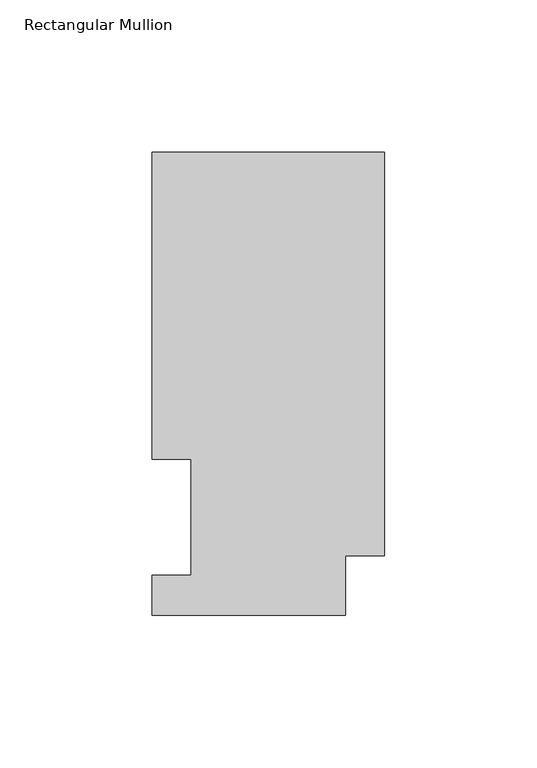
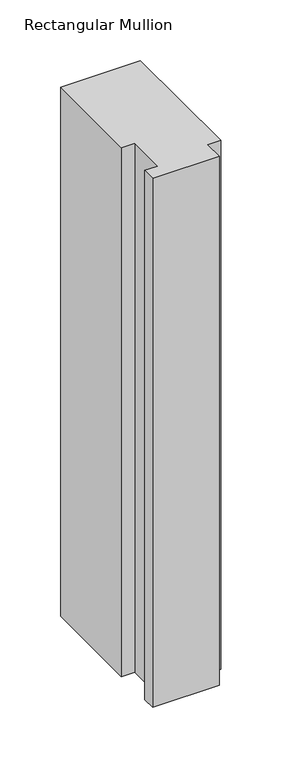
"""IFC4 building model written with IfcOpenShell, lengths in millimetres: member geometry, Rectangular Mullion."""

from ifc_helpers import new_model, si_unit, frame, origin, place, context, project, spatial, polyline, outline, extrude, source, transform, mapped, element, save


def rectangular_mullion_2f3da841(model_context):
    return source(origin(), model_context, "Body", "SweptSolid", [
        extrude(outline(polyline([(0.0, 151.8147517), (0.0, 19.4553517), (-12.7, 19.4553517), (-12.7, -0.0772483), (-76.2, -0.0772483), (-76.2, 13.1053517), (-63.5127, 13.1053517), (-63.5127, 51.2053517), (-76.2, 51.2053517), (-76.2, 151.8147517), (0.0, 151.8147517)])), frame((0.0, 0.0, -533.4), z_axis=(0.0, 0.0, 1.0), x_axis=(1.0, 0.0, 0.0)), (0.0, 0.0, 1.0), 533.4),
    ])


if __name__ == "__main__":
    model = new_model("IFC4")
    model_context = context("Model", 3, world=origin())
    ifc_project = project(units=[si_unit("LENGTHUNIT", "METRE", prefix="MILLI")], contexts=[model_context])
    site = spatial("IfcSite", under=ifc_project)
    building = spatial("IfcBuilding", under=site)
    placement = place(None, origin())
    rectangular_mullion_shape = rectangular_mullion_2f3da841(model_context)
    element("IfcMember", 1, ObjectType="Rectangular Mullion", at=placement, inside=building, context=model_context, shape_type="MappedRepresentation", body=[
        mapped(rectangular_mullion_shape, transform((0.0, 0.0, 0.0), x_axis=(1.0, 0.0, 0.0), y_axis=(0.0, 1.0, 0.0), z_axis=(0.0, 0.0, 1.0))),
    ])
    save(model, "model.ifc")
